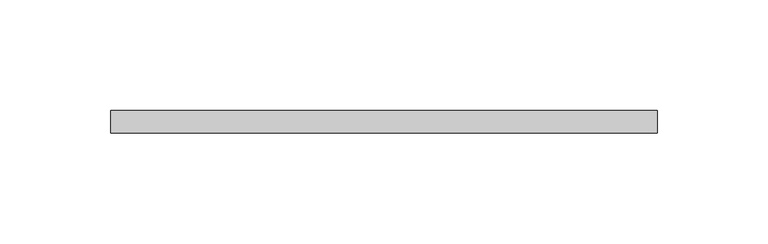
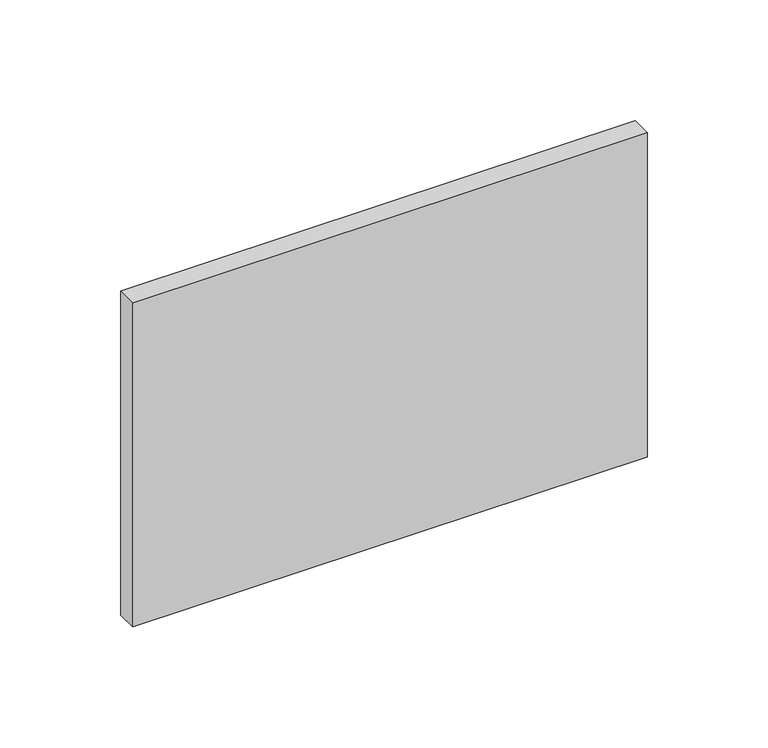
"""IFC4 building model written with IfcOpenShell, lengths in millimetres: flow terminal geometry."""

import ifcopenshell
import ifcopenshell.guid

model = None  # the IFC model being written
_history = None  # IfcOwnerHistory: only IFC2X3 demands one
_inside = {}  # id of a spatial element -> (the spatial element, [elements in it])
_under = {}  # id of a project, library or spatial element -> (it, [spatial elements below it])
_declared = {}  # id of a project -> (the project, [libraries it declares])
_typed = {}  # id of a type object -> (the type object, [elements of that type])
_made_of = {}  # id of a material, layer set ... -> (it, [elements and type objects made of it])


def new_model(schema):
    """Start an empty IFC model of exactly this schema.

    Asked for "IFC4X3", IfcOpenShell would pick the latest addendum, in which some entities
    have other attributes; the version numbers below select the first issue.
    IFC2X3 requires an IfcOwnerHistory on every rooted entity: one is made here for all.
    """
    global model, _history
    if schema == "IFC4X3":
        model = ifcopenshell.file(schema_version=(4, 3, 0, 0))
    else:
        model = ifcopenshell.file(schema=schema)
    _inside.clear()
    _under.clear()
    _declared.clear()
    _typed.clear()
    _made_of.clear()
    _history = None
    if model.schema == "IFC2X3":
        org = make("IfcOrganization", Name="unknown")
        user = make(
            "IfcPersonAndOrganization",
            ThePerson=make("IfcPerson", FamilyName="unknown"),
            TheOrganization=org,
        )
        app = make(
            "IfcApplication",
            ApplicationDeveloper=org,
            Version="unknown",
            ApplicationFullName="unknown",
            ApplicationIdentifier="unknown",
        )
        _history = make(
            "IfcOwnerHistory",
            OwningUser=user,
            OwningApplication=app,
            ChangeAction="ADDED",
            CreationDate=0,
        )
    return model


def make(cls, **values):
    """One entity of the class cls with the attributes given. An attribute that is None is left unset."""
    return model.create_entity(
        cls, **{name: value for name, value in values.items() if value is not None}
    )


def rooted(cls, **values):
    """An entity with a GlobalId (a new one), such as an element, a storey or a relation."""
    return make(cls, GlobalId=ifcopenshell.guid.new(), OwnerHistory=_history, **values)


def si_unit(unit_type, name, prefix=None):
    """IfcSIUnit, for example si_unit("LENGTHUNIT", "METRE", prefix="MILLI")."""
    return make("IfcSIUnit", UnitType=unit_type, Prefix=prefix, Name=name)


def assignment(units):
    """IfcUnitAssignment: the units of a project."""
    return None if units is None else make("IfcUnitAssignment", Units=units)


def point(xyz):
    """IfcCartesianPoint."""
    return None if xyz is None else make("IfcCartesianPoint", Coordinates=xyz)


def direction(xyz):
    """IfcDirection."""
    return None if xyz is None else make("IfcDirection", DirectionRatios=xyz)


def frame(location, z_axis=None, x_axis=None):
    """IfcAxis2Placement3D, a coordinate frame: its origin and axes. An axis left out is left unset."""
    return make(
        "IfcAxis2Placement3D",
        Location=point(location),
        Axis=direction(z_axis),
        RefDirection=direction(x_axis),
    )


def origin():
    """The frame at (0, 0, 0) with its axes left unset."""
    return frame((0.0, 0.0, 0.0))


def origin_with_axes():
    """The frame at (0, 0, 0) with the z axis (0, 0, 1) and the x axis (1, 0, 0) written out."""
    return frame((0.0, 0.0, 0.0), z_axis=(0.0, 0.0, 1.0), x_axis=(1.0, 0.0, 0.0))


def place(relative_to, where):
    """IfcLocalPlacement: puts the frame where relative to a parent placement (None: the world)."""
    return make(
        "IfcLocalPlacement", PlacementRelTo=relative_to, RelativePlacement=where
    )


def context(
    kind, dimensions, precision=None, world=None, true_north=None, identifier=None
):
    """IfcGeometricRepresentationContext, for example the 3D "Model" context."""
    return make(
        "IfcGeometricRepresentationContext",
        ContextIdentifier=identifier,
        ContextType=kind,
        CoordinateSpaceDimension=dimensions,
        Precision=precision,
        WorldCoordinateSystem=world,
        TrueNorth=true_north,
    )


def project(units=None, contexts=None):
    """IfcProject with its units and contexts."""
    return rooted(
        "IfcProject",
        Name="project",
        RepresentationContexts=contexts,
        UnitsInContext=assignment(units),
    )


def spatial(cls, under=None, at=None, **own):
    """A site, building, storey or space (cls), placed at a placement, below another one or the project."""
    s = rooted(cls, ObjectPlacement=at, **own)
    if under is not None:
        _under.setdefault(under.id(), (under, []))[1].append(s)
    return s


def polyline(points):
    """IfcPolyline through the points."""
    return make("IfcPolyline", Points=[point(p) for p in points])


def outline(outer, holes=None, kind="AREA"):
    """IfcArbitraryClosedProfileDef: a profile drawn as a closed curve; with holes, ...WithVoids."""
    if holes is None:
        return make("IfcArbitraryClosedProfileDef", ProfileType=kind, OuterCurve=outer)
    return make(
        "IfcArbitraryProfileDefWithVoids",
        ProfileType=kind,
        OuterCurve=outer,
        InnerCurves=holes,
    )


def extrude(swept, where, along, depth):
    """IfcExtrudedAreaSolid: the profile swept, set in the frame where, extruded along a direction by depth."""
    return make(
        "IfcExtrudedAreaSolid",
        SweptArea=swept,
        Position=where,
        ExtrudedDirection=direction(along),
        Depth=depth,
    )


def shape(context_of_items, identifier, shape_type, items):
    """IfcShapeRepresentation: the items that make up one representation, for example the "Body"."""
    return make(
        "IfcShapeRepresentation",
        ContextOfItems=context_of_items,
        RepresentationIdentifier=identifier,
        RepresentationType=shape_type,
        Items=items,
    )


def source(mapping_origin, context_of_items, identifier, shape_type, items):
    """IfcRepresentationMap: a shape defined once, which mapped items show again and again."""
    return make(
        "IfcRepresentationMap",
        MappingOrigin=mapping_origin,
        MappedRepresentation=shape(context_of_items, identifier, shape_type, items),
    )


def transform(
    local_origin,
    x_axis=None,
    y_axis=None,
    z_axis=None,
    scale=None,
    scale2=None,
    scale3=None,
    uniform=True,
):
    """IfcCartesianTransformationOperator3D, or its non-uniform kind. x_axis, y_axis, z_axis: its Axis1, 2, 3."""
    if uniform:
        return make(
            "IfcCartesianTransformationOperator3D",
            Axis1=direction(x_axis),
            Axis2=direction(y_axis),
            LocalOrigin=point(local_origin),
            Scale=scale,
            Axis3=direction(z_axis),
        )
    return make(
        "IfcCartesianTransformationOperator3DnonUniform",
        Axis1=direction(x_axis),
        Axis2=direction(y_axis),
        LocalOrigin=point(local_origin),
        Scale=scale,
        Axis3=direction(z_axis),
        Scale2=scale2,
        Scale3=scale3,
    )


def mapped(mapping_source, mapping_target):
    """IfcMappedItem: shows the shape of a source again, moved by a transform."""
    return make(
        "IfcMappedItem", MappingSource=mapping_source, MappingTarget=mapping_target
    )


def made_of(thing, what):
    """Note that an element or type object is made of a material, layer set ...; save() writes the relation."""
    if what is not None:
        _made_of.setdefault(what.id(), (what, []))[1].append(thing)
    return thing


def element(
    cls,
    number,
    at=None,
    inside=None,
    cuts=None,
    type_object=None,
    material=None,
    context=None,
    identifier="Body",
    shape_type=None,
    held_by="IfcProductDefinitionShape",
    body=None,
    shapes=None,
    **own,
):
    """One element of the class cls, such as IfcWall. Its Tag is "e" and its number.

    at: its placement. inside: the storey or other place that contains it. cuts: it is an
    opening in that element (IfcRelVoidsElement). A single representation is given by context,
    identifier, shape_type and body (its items); several are given by shapes. held_by: the class
    of the entity that holds the representations. save() writes the other relations.
    """
    e = rooted(cls, Tag="e%d" % number, ObjectPlacement=at, **own)
    if body is not None:
        shapes = [shape(context, identifier, shape_type, body)]
    if shapes is not None:
        e.Representation = make(held_by, Representations=shapes)
    if inside is not None:
        _inside.setdefault(inside.id(), (inside, []))[1].append(e)
    if cuts is not None:
        rooted(
            "IfcRelVoidsElement", RelatingBuildingElement=cuts, RelatedOpeningElement=e
        )
    if type_object is not None:
        _typed.setdefault(type_object.id(), (type_object, []))[1].append(e)
    return made_of(e, material)


def aggregate(whole, parts):
    """IfcRelAggregates: a whole, such as a stair, and the parts it consists of."""
    return rooted("IfcRelAggregates", RelatingObject=whole, RelatedObjects=parts)


def save(model, path):
    """Write the relations noted so far, then the file.

    IfcRelAggregates (storeys below a building ...), IfcRelContainedInSpatialStructure (elements
    in a storey), IfcRelDefinesByType, IfcRelAssociatesMaterial and IfcRelDeclares: one each for
    every whole, place, type object, material and project.
    """
    for whole, parts in _under.values():
        aggregate(whole, parts)
    for where, things in _inside.values():
        rooted(
            "IfcRelContainedInSpatialStructure",
            RelatedElements=things,
            RelatingStructure=where,
        )
    for kind, things in _typed.values():
        rooted("IfcRelDefinesByType", RelatedObjects=things, RelatingType=kind)
    for what, things in _made_of.values():
        rooted("IfcRelAssociatesMaterial", RelatedObjects=things, RelatingMaterial=what)
    for by, libraries in _declared.values():
        rooted("IfcRelDeclares", RelatingContext=by, RelatedDefinitions=libraries)
    model.write(path)


def flow_terminal_d8217b6e(model_context):
    return source(origin(), model_context, "Body", "SweptSolid", [
        extrude(outline(polyline([(-123.0, 10.0), (123.0, 10.0), (123.0, 0.0), (-123.0, 0.0), (-123.0, 10.0)])), origin_with_axes(), (0.0, 0.0, 1.0), 164.0),
    ])


if __name__ == "__main__":
    model = new_model("IFC4")
    model_context = context("Model", 3, world=origin())
    ifc_project = project(units=[si_unit("LENGTHUNIT", "METRE", prefix="MILLI")], contexts=[model_context])
    site = spatial("IfcSite", under=ifc_project)
    building = spatial("IfcBuilding", under=site)
    placement = place(None, origin())
    flow_terminal_shape = flow_terminal_d8217b6e(model_context)
    element("IfcFlowTerminal", 1, at=placement, inside=building, context=model_context, shape_type="MappedRepresentation", body=[
        mapped(flow_terminal_shape, transform((0.0, 0.0, 0.0), x_axis=(1.0, 0.0, 0.0), y_axis=(0.0, 1.0, 0.0), z_axis=(0.0, 0.0, 1.0))),
    ])
    save(model, "model.ifc")
